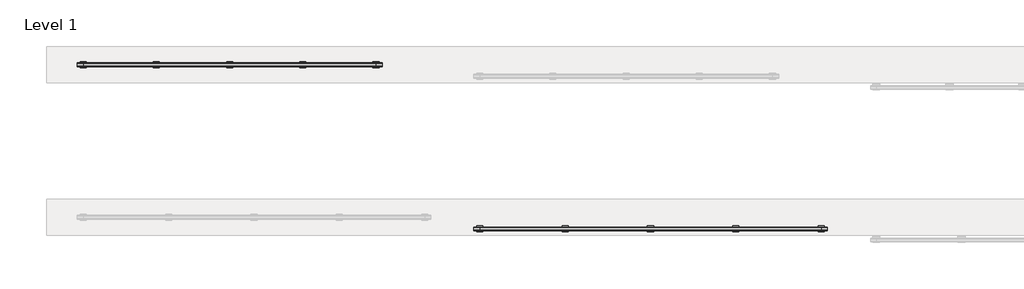
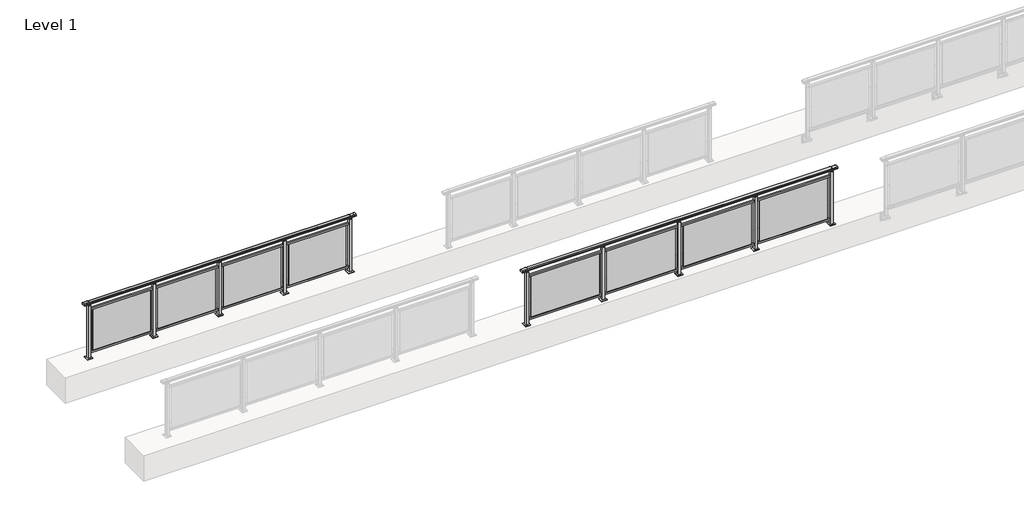
# One storey, part 37 of 64: 2 railings.
"""IFC4 building model written with IfcOpenShell, lengths in millimetres."""

from ifc_helpers import new_model, si_unit, frame, origin, origin_with_axes, place, context, project, spatial, polyline, circle_curve, outline, extrude, element, save
from ifc_brep_helpers import plane_surface, cylinder_surface, revolved_surface, advanced_brep

model = new_model("IFC4")

# Units and contexts
model_context = context("Model", 3, world=origin())
ifc_project = project(units=[si_unit("LENGTHUNIT", "METRE", prefix="MILLI")], contexts=[model_context])

# Site, building, storey
site = spatial("IfcSite", under=ifc_project)
building = spatial("IfcBuilding", under=site)
storey = spatial("IfcBuildingStorey", under=building, Name="Level 1", Elevation=0.0)

# Railings
placement = place(None, origin())
element("IfcRailing", 1, at=placement, inside=storey, context=model_context, shape_type="SolidModel", body=[
    advanced_brep(
    [(36400.0, 25.3633756, 1095.6691182), (36400.0, 30.1846828, 1081.1334092), (36400.0, 29.2413744, 1069.2539035), (36400.0, 31.1364177, 1061.4863007), (36400.0, 29.4894799, 1060.384124), (36400.0, 29.4894799, 1062.0), (36400.0, -29.1201142, 1062.0), (36400.0, -29.1201142, 1060.384124), (36400.0, -30.767052, 1061.4863007), (36400.0, -28.8720088, 1069.2539035), (36400.0, -29.8153172, 1081.1334092), (36400.0, -24.99401, 1095.6691182), (42200.0, 25.3633756, 1095.6691182), (42200.0, -24.99401, 1095.6691182), (42200.0, -29.8153172, 1081.1334092), (42200.0, -28.8720088, 1069.2539035), (42200.0, -30.767052, 1061.4863007), (42200.0, -29.1201142, 1060.384124), (42200.0, -29.1201142, 1062.0), (42200.0, 29.4894799, 1062.0), (42200.0, 29.4894799, 1060.384124), (42200.0, 31.1364177, 1061.4863007), (42200.0, 29.2413744, 1069.2539035), (42200.0, 30.1846828, 1081.1334092), (36500.0, 25.3633756, 1095.6691182), (36500.0, 30.1846828, 1081.1334092), (36500.0, 29.2413744, 1069.2539035), (36500.0, 31.1364177, 1061.4863007), (36500.0, 29.4894799, 1060.384124), (36500.0, 29.4894799, 1062.0), (36500.0, -29.1201142, 1062.0), (36500.0, -29.1201142, 1060.384124), (36500.0, -30.767052, 1061.4863007), (36500.0, -28.8720088, 1069.2539035), (36500.0, -29.8153172, 1081.1334092), (36500.0, -24.99401, 1095.6691182), (42100.0, 25.3633756, 1095.6691182), (42100.0, 30.1846828, 1081.1334092), (42100.0, 29.2413744, 1069.2539035), (42100.0, 31.1364177, 1061.4863007), (42100.0, 29.4894799, 1060.384124), (42100.0, 29.4894799, 1062.0), (42100.0, -29.1201142, 1062.0), (42100.0, -29.1201142, 1060.384124), (42100.0, -30.767052, 1061.4863007), (42100.0, -28.8720088, 1069.2539035), (42100.0, -29.8153172, 1081.1334092), (42100.0, -24.99401, 1095.6691182)],
    [
        (0, 1, circle_curve(frame((36400.0, 22.1223845, 1086.526686), z_axis=(-1.0, 0.0, 0.0), x_axis=(0.0, -1.0, 0.0)), 9.6999015)),
        (1, 2, circle_curve(frame((36400.0, 47.7252545, 1073.7633709), z_axis=(1.0, 0.0, 0.0), x_axis=(0.0, -1.0, 0.0)), 19.0260117)),
        (2, 3),
        (3, 4, circle_curve(frame((36400.0, 30.2772073, 1060.9886194), z_axis=(-1.0, 0.0, 0.0), x_axis=(0.0, -1.0, 0.0)), 0.9929396)),
        (4, 5),
        (5, 6),
        (6, 7),
        (7, 8, circle_curve(frame((36400.0, -29.9078416, 1060.9886194), z_axis=(-1.0, 0.0, 0.0), x_axis=(0.0, 1.0, 0.0)), 0.9929396)),
        (8, 9),
        (9, 10, circle_curve(frame((36400.0, -47.3558889, 1073.7633709), z_axis=(1.0, 0.0, 0.0), x_axis=(0.0, 1.0, 0.0)), 19.0260117)),
        (10, 11, circle_curve(frame((36400.0, -21.7530188, 1086.526686), z_axis=(-1.0, 0.0, 0.0), x_axis=(0.0, 1.0, 0.0)), 9.6999015)),
        (11, 0, circle_curve(frame((36400.0, 0.1846828, 1024.6431628), z_axis=(-1.0, 0.0, 0.0), x_axis=(0.0, 1.0, 0.0)), 75.3568372)),
        (12, 13, circle_curve(frame((42200.0, 0.1846828, 1024.6431628), z_axis=(1.0, 0.0, 0.0), x_axis=(0.0, 1.0, 0.0)), 75.3568372)),
        (13, 14, circle_curve(frame((42200.0, -21.7530188, 1086.526686), z_axis=(1.0, 0.0, 0.0), x_axis=(0.0, 1.0, 0.0)), 9.6999015)),
        (14, 15, circle_curve(frame((42200.0, -47.3558889, 1073.7633709), z_axis=(-1.0, 0.0, 0.0), x_axis=(0.0, 1.0, 0.0)), 19.0260117)),
        (15, 16),
        (16, 17, circle_curve(frame((42200.0, -29.9078416, 1060.9886194), z_axis=(1.0, 0.0, 0.0), x_axis=(0.0, 1.0, 0.0)), 0.9929396)),
        (17, 18),
        (18, 19),
        (19, 20),
        (20, 21, circle_curve(frame((42200.0, 30.2772073, 1060.9886194), z_axis=(1.0, 0.0, 0.0), x_axis=(0.0, -1.0, 0.0)), 0.9929396)),
        (21, 22),
        (22, 23, circle_curve(frame((42200.0, 47.7252545, 1073.7633709), z_axis=(-1.0, 0.0, 0.0), x_axis=(0.0, -1.0, 0.0)), 19.0260117)),
        (23, 12, circle_curve(frame((42200.0, 22.1223845, 1086.526686), z_axis=(1.0, 0.0, 0.0), x_axis=(0.0, -1.0, 0.0)), 9.6999015)),
        (0, 24),
        (24, 25, circle_curve(frame((36500.0, 22.1223845, 1086.526686), z_axis=(-1.0, 0.0, 0.0), x_axis=(0.0, -1.0, 0.0)), 9.6999015)),
        (25, 1),
        (25, 26, circle_curve(frame((36500.0, 47.7252545, 1073.7633709), z_axis=(1.0, 0.0, 0.0), x_axis=(0.0, -1.0, 0.0)), 19.0260117)),
        (26, 2),
        (26, 27),
        (27, 3),
        (27, 28, circle_curve(frame((36500.0, 30.2772073, 1060.9886194), z_axis=(-1.0, 0.0, 0.0), x_axis=(0.0, -1.0, 0.0)), 0.9929396)),
        (28, 4),
        (28, 29),
        (29, 5),
        (29, 30),
        (30, 6),
        (30, 31),
        (31, 7),
        (31, 32, circle_curve(frame((36500.0, -29.9078416, 1060.9886194), z_axis=(-1.0, 0.0, 0.0), x_axis=(0.0, 1.0, 0.0)), 0.9929396)),
        (32, 8),
        (32, 33),
        (33, 9),
        (33, 34, circle_curve(frame((36500.0, -47.3558889, 1073.7633709), z_axis=(1.0, 0.0, 0.0), x_axis=(0.0, 1.0, 0.0)), 19.0260117)),
        (34, 10),
        (34, 35, circle_curve(frame((36500.0, -21.7530188, 1086.526686), z_axis=(-1.0, 0.0, 0.0), x_axis=(0.0, 1.0, 0.0)), 9.6999015)),
        (35, 11),
        (35, 24, circle_curve(frame((36500.0, 0.1846828, 1024.6431628), z_axis=(-1.0, 0.0, 0.0), x_axis=(0.0, 1.0, 0.0)), 75.3568372)),
        (24, 36),
        (36, 37, circle_curve(frame((42100.0, 22.1223845, 1086.526686), z_axis=(-1.0, 0.0, 0.0), x_axis=(0.0, -1.0, 0.0)), 9.6999015)),
        (37, 25),
        (37, 38, circle_curve(frame((42100.0, 47.7252545, 1073.7633709), z_axis=(1.0, 0.0, 0.0), x_axis=(0.0, -1.0, 0.0)), 19.0260117)),
        (38, 26),
        (38, 39),
        (39, 27),
        (39, 40, circle_curve(frame((42100.0, 30.2772073, 1060.9886194), z_axis=(-1.0, 0.0, 0.0), x_axis=(0.0, -1.0, 0.0)), 0.9929396)),
        (40, 28),
        (40, 41),
        (41, 29),
        (41, 42),
        (42, 30),
        (42, 43),
        (43, 31),
        (43, 44, circle_curve(frame((42100.0, -29.9078416, 1060.9886194), z_axis=(-1.0, 0.0, 0.0), x_axis=(0.0, 1.0, 0.0)), 0.9929396)),
        (44, 32),
        (44, 45),
        (45, 33),
        (45, 46, circle_curve(frame((42100.0, -47.3558889, 1073.7633709), z_axis=(1.0, 0.0, 0.0), x_axis=(0.0, 1.0, 0.0)), 19.0260117)),
        (46, 34),
        (46, 47, circle_curve(frame((42100.0, -21.7530188, 1086.526686), z_axis=(-1.0, 0.0, 0.0), x_axis=(0.0, 1.0, 0.0)), 9.6999015)),
        (47, 35),
        (47, 36, circle_curve(frame((42100.0, 0.1846828, 1024.6431628), z_axis=(-1.0, 0.0, 0.0), x_axis=(0.0, 1.0, 0.0)), 75.3568372)),
        (36, 12),
        (23, 37),
        (22, 38),
        (21, 39),
        (20, 40),
        (19, 41),
        (18, 42),
        (17, 43),
        (16, 44),
        (15, 45),
        (14, 46),
        (13, 47),
    ],
    [
        plane_surface(frame((36400.0, 0.1846828, 1100.0), z_axis=(-1.0, 0.0, 0.0), x_axis=(0.0, 1.0, 0.0))),
        plane_surface(frame((42200.0, 0.1846828, 1100.0), z_axis=(1.0, 0.0, 0.0), x_axis=(0.0, 1.0, 0.0))),
        cylinder_surface(frame((36400.0, 22.1223845, 1086.526686), z_axis=(-1.0, 0.0, 0.0), x_axis=(0.0, -1.0, 0.0)), 9.6999015),
        revolved_surface(polyline([(36500.0, 28.699242799999997, 1073.7633709), (36400.0, 28.699242799999997, 1073.7633709)]), (36400.0, 47.7252545, 1073.7633709), (1.0, 0.0, 0.0)),
        plane_surface(frame((36400.0, 29.2413744, 1069.2539035), z_axis=(0.0, 0.9715057689301543, 0.2370159086125439), x_axis=(1.0, 0.0, 0.0))),
        cylinder_surface(frame((36400.0, 30.2772073, 1060.9886194), z_axis=(-1.0, 0.0, 0.0), x_axis=(0.0, -1.0, 0.0)), 0.9929396),
        plane_surface(frame((36400.0, 29.4894799, 1060.384124), z_axis=(0.0, -1.0, 0.0), x_axis=(1.0, 0.0, 0.0))),
        plane_surface(frame((36400.0, 29.4894799, 1062.0), z_axis=(0.0, 0.0, -1.0), x_axis=(1.0, 0.0, 0.0))),
        plane_surface(frame((36400.0, -29.1201142, 1062.0), z_axis=(0.0, 1.0, 0.0), x_axis=(1.0, 0.0, 0.0))),
        cylinder_surface(frame((36400.0, -29.9078416, 1060.9886194), z_axis=(-1.0, 0.0, 0.0), x_axis=(0.0, 1.0, 0.0)), 0.9929396),
        plane_surface(frame((36400.0, -30.767052, 1061.4863007), z_axis=(0.0, -0.9715057689301543, 0.2370159086125439), x_axis=(1.0, 0.0, 0.0))),
        revolved_surface(polyline([(36500.0, -28.329877199999995, 1073.7633709), (36400.0, -28.329877199999995, 1073.7633709)]), (36400.0, -47.3558889, 1073.7633709), (1.0, 0.0, 0.0)),
        cylinder_surface(frame((36400.0, -21.7530188, 1086.526686), z_axis=(-1.0, 0.0, 0.0), x_axis=(0.0, 1.0, 0.0)), 9.6999015),
        cylinder_surface(frame((36400.0, 0.1846828, 1024.6431628), z_axis=(-1.0, 0.0, 0.0), x_axis=(0.0, 1.0, 0.0)), 75.3568372),
        cylinder_surface(frame((36500.0, 22.1223845, 1086.526686), z_axis=(-1.0, 0.0, 0.0), x_axis=(0.0, -1.0, 0.0)), 9.6999015),
        revolved_surface(polyline([(42100.0, 28.699242799999997, 1073.7633709), (36500.0, 28.699242799999997, 1073.7633709)]), (36500.0, 47.7252545, 1073.7633709), (1.0, 0.0, 0.0)),
        plane_surface(frame((36500.0, 29.2413744, 1069.2539035), z_axis=(0.0, 0.9715057689301543, 0.2370159086125439), x_axis=(1.0, 0.0, 0.0))),
        cylinder_surface(frame((36500.0, 30.2772073, 1060.9886194), z_axis=(-1.0, 0.0, 0.0), x_axis=(0.0, -1.0, 0.0)), 0.9929396),
        plane_surface(frame((36500.0, 29.4894799, 1060.384124), z_axis=(0.0, -1.0, 0.0), x_axis=(1.0, 0.0, 0.0))),
        plane_surface(frame((36500.0, 29.4894799, 1062.0), z_axis=(0.0, 0.0, -1.0), x_axis=(1.0, 0.0, 0.0))),
        plane_surface(frame((36500.0, -29.1201142, 1062.0), z_axis=(0.0, 1.0, 0.0), x_axis=(1.0, 0.0, 0.0))),
        cylinder_surface(frame((36500.0, -29.9078416, 1060.9886194), z_axis=(-1.0, 0.0, 0.0), x_axis=(0.0, 1.0, 0.0)), 0.9929396),
        plane_surface(frame((36500.0, -30.767052, 1061.4863007), z_axis=(0.0, -0.9715057689301543, 0.2370159086125439), x_axis=(1.0, 0.0, 0.0))),
        revolved_surface(polyline([(42100.0, -28.329877199999995, 1073.7633709), (36500.0, -28.329877199999995, 1073.7633709)]), (36500.0, -47.3558889, 1073.7633709), (1.0, 0.0, 0.0)),
        cylinder_surface(frame((36500.0, -21.7530188, 1086.526686), z_axis=(-1.0, 0.0, 0.0), x_axis=(0.0, 1.0, 0.0)), 9.6999015),
        cylinder_surface(frame((36500.0, 0.1846828, 1024.6431628), z_axis=(-1.0, 0.0, 0.0), x_axis=(0.0, 1.0, 0.0)), 75.3568372),
        cylinder_surface(frame((42100.0, 22.1223845, 1086.526686), z_axis=(-1.0, 0.0, 0.0), x_axis=(0.0, -1.0, 0.0)), 9.6999015),
        revolved_surface(polyline([(42200.0, 28.699242799999997, 1073.7633709), (42100.0, 28.699242799999997, 1073.7633709)]), (42100.0, 47.7252545, 1073.7633709), (1.0, 0.0, 0.0)),
        plane_surface(frame((42100.0, 29.2413744, 1069.2539035), z_axis=(0.0, 0.9715057689301543, 0.2370159086125439), x_axis=(1.0, 0.0, 0.0))),
        cylinder_surface(frame((42100.0, 30.2772073, 1060.9886194), z_axis=(-1.0, 0.0, 0.0), x_axis=(0.0, -1.0, 0.0)), 0.9929396),
        plane_surface(frame((42100.0, 29.4894799, 1060.384124), z_axis=(0.0, -1.0, 0.0), x_axis=(1.0, 0.0, 0.0))),
        plane_surface(frame((42100.0, 29.4894799, 1062.0), z_axis=(0.0, 0.0, -1.0), x_axis=(1.0, 0.0, 0.0))),
        plane_surface(frame((42100.0, -29.1201142, 1062.0), z_axis=(0.0, 1.0, 0.0), x_axis=(1.0, 0.0, 0.0))),
        cylinder_surface(frame((42100.0, -29.9078416, 1060.9886194), z_axis=(-1.0, 0.0, 0.0), x_axis=(0.0, 1.0, 0.0)), 0.9929396),
        plane_surface(frame((42100.0, -30.767052, 1061.4863007), z_axis=(0.0, -0.9715057689301543, 0.2370159086125439), x_axis=(1.0, 0.0, 0.0))),
        revolved_surface(polyline([(42200.0, -28.329877199999995, 1073.7633709), (42100.0, -28.329877199999995, 1073.7633709)]), (42100.0, -47.3558889, 1073.7633709), (1.0, 0.0, 0.0)),
        cylinder_surface(frame((42100.0, -21.7530188, 1086.526686), z_axis=(-1.0, 0.0, 0.0), x_axis=(0.0, 1.0, 0.0)), 9.6999015),
        cylinder_surface(frame((42100.0, 0.1846828, 1024.6431628), z_axis=(-1.0, 0.0, 0.0), x_axis=(0.0, 1.0, 0.0)), 75.3568372),
    ],
    [
        (0, [[1, 2, 3, 4, 5, 6, 7, 8, 9, 10, 11, 12]]),
        (1, [[13, 14, 15, 16, 17, 18, 19, 20, 21, 22, 23, 24]]),
        (2, [[-1, 25, 26, 27]]),
        (3, [[-2, -27, 28, 29]]),
        (4, [[-3, -29, 30, 31]]),
        (5, [[-4, -31, 32, 33]]),
        (6, [[-5, -33, 34, 35]]),
        (7, [[-6, -35, 36, 37]]),
        (8, [[-7, -37, 38, 39]]),
        (9, [[-8, -39, 40, 41]]),
        (10, [[-9, -41, 42, 43]]),
        (11, [[-10, -43, 44, 45]]),
        (12, [[-11, -45, 46, 47]]),
        (13, [[-12, -47, 48, -25]]),
        (14, [[-26, 49, 50, 51]]),
        (15, [[-28, -51, 52, 53]]),
        (16, [[-30, -53, 54, 55]]),
        (17, [[-32, -55, 56, 57]]),
        (18, [[-34, -57, 58, 59]]),
        (19, [[-36, -59, 60, 61]]),
        (20, [[-38, -61, 62, 63]]),
        (21, [[-40, -63, 64, 65]]),
        (22, [[-42, -65, 66, 67]]),
        (23, [[-44, -67, 68, 69]]),
        (24, [[-46, -69, 70, 71]]),
        (25, [[-48, -71, 72, -49]]),
        (26, [[-50, 73, -24, 74]]),
        (27, [[-52, -74, -23, 75]]),
        (28, [[-54, -75, -22, 76]]),
        (29, [[-56, -76, -21, 77]]),
        (30, [[-58, -77, -20, 78]]),
        (31, [[-60, -78, -19, 79]]),
        (32, [[-62, -79, -18, 80]]),
        (33, [[-64, -80, -17, 81]]),
        (34, [[-66, -81, -16, 82]]),
        (35, [[-68, -82, -15, 83]]),
        (36, [[-70, -83, -14, 84]]),
        (37, [[-72, -84, -13, -73]]),
    ],
),
    extrude(outline(polyline([(36500.0, -17.3153172), (36500.0, 17.6846828), (42100.0, 17.6846828), (42100.0, -17.3153172), (36500.0, -17.3153172)])), frame((0.0, 0.0, 930.0), z_axis=(0.0, 0.0, 1.0), x_axis=(1.0, 0.0, 0.0)), (0.0, 0.0, 1.0), 30.0),
    extrude(outline(polyline([(36500.0, -17.3153172), (36500.0, 17.6846828), (42100.0, 17.6846828), (42100.0, -17.3153172), (36500.0, -17.3153172)])), frame((0.0, 0.0, 95.0), z_axis=(0.0, 0.0, 1.0), x_axis=(1.0, 0.0, 0.0)), (0.0, 0.0, 1.0), 30.0),
    extrude(outline(polyline([(40772.5, 1.9598727), (42027.5, 1.9598727), (42027.5, -4.0401273), (40772.5, -4.0401273), (40772.5, 1.9598727)])), frame((0.0, 0.0, 125.0), z_axis=(0.0, 0.0, 1.0), x_axis=(1.0, 0.0, 0.0)), (0.0, 0.0, 1.0), 805.0),
    extrude(outline(polyline([(40710.0, -9.8153172), (40690.0, -9.8153172), (40690.0, 10.1846828), (40710.0, 10.1846828), (40710.0, -9.8153172)])), frame((0.0, 0.0, 1035.0), z_axis=(0.0, 0.0, 1.0), x_axis=(1.0, 0.0, 0.0)), (0.0, 0.0, 1.0), 20.0),
    extrude(outline(polyline([(40722.5, -22.3153172), (40677.5, -22.3153172), (40677.5, 22.6846828), (40722.5, 22.6846828), (40722.5, -22.3153172)])), frame((0.0, 0.0, 1027.0), z_axis=(0.0, 0.0, 1.0), x_axis=(1.0, 0.0, 0.0)), (0.0, 0.0, 1.0), 8.0),
    extrude(outline(polyline([(40750.0, -49.8153172), (40650.0, -49.8153172), (40650.0, 50.1846828), (40750.0, 50.1846828), (40750.0, -49.8153172)])), origin_with_axes(), (0.0, 0.0, 1.0), 12.0),
    extrude(outline(polyline([(40722.5, -22.3153172), (40677.5, -22.3153172), (40677.5, 22.6846828), (40722.5, 22.6846828), (40722.5, -22.3153172)])), frame((0.0, 0.0, 12.0), z_axis=(0.0, 0.0, 1.0), x_axis=(1.0, 0.0, 0.0)), (0.0, 0.0, 1.0), 1015.0),
    extrude(outline(polyline([(39372.5, 1.9598727), (40627.5, 1.9598727), (40627.5, -4.0401273), (39372.5, -4.0401273), (39372.5, 1.9598727)])), frame((0.0, 0.0, 125.0), z_axis=(0.0, 0.0, 1.0), x_axis=(1.0, 0.0, 0.0)), (0.0, 0.0, 1.0), 805.0),
    extrude(outline(polyline([(39310.0, -9.8153172), (39290.0, -9.8153172), (39290.0, 10.1846828), (39310.0, 10.1846828), (39310.0, -9.8153172)])), frame((0.0, 0.0, 1035.0), z_axis=(0.0, 0.0, 1.0), x_axis=(1.0, 0.0, 0.0)), (0.0, 0.0, 1.0), 20.0),
    extrude(outline(polyline([(39322.5, -22.3153172), (39277.5, -22.3153172), (39277.5, 22.6846828), (39322.5, 22.6846828), (39322.5, -22.3153172)])), frame((0.0, 0.0, 1027.0), z_axis=(0.0, 0.0, 1.0), x_axis=(1.0, 0.0, 0.0)), (0.0, 0.0, 1.0), 8.0),
    extrude(outline(polyline([(39350.0, -49.8153172), (39250.0, -49.8153172), (39250.0, 50.1846828), (39350.0, 50.1846828), (39350.0, -49.8153172)])), origin_with_axes(), (0.0, 0.0, 1.0), 12.0),
    extrude(outline(polyline([(39322.5, -22.3153172), (39277.5, -22.3153172), (39277.5, 22.6846828), (39322.5, 22.6846828), (39322.5, -22.3153172)])), frame((0.0, 0.0, 12.0), z_axis=(0.0, 0.0, 1.0), x_axis=(1.0, 0.0, 0.0)), (0.0, 0.0, 1.0), 1015.0),
    extrude(outline(polyline([(37972.5, 1.9598727), (39227.5, 1.9598727), (39227.5, -4.0401273), (37972.5, -4.0401273), (37972.5, 1.9598727)])), frame((0.0, 0.0, 125.0), z_axis=(0.0, 0.0, 1.0), x_axis=(1.0, 0.0, 0.0)), (0.0, 0.0, 1.0), 805.0),
    extrude(outline(polyline([(37910.0, -9.8153172), (37890.0, -9.8153172), (37890.0, 10.1846828), (37910.0, 10.1846828), (37910.0, -9.8153172)])), frame((0.0, 0.0, 1035.0), z_axis=(0.0, 0.0, 1.0), x_axis=(1.0, 0.0, 0.0)), (0.0, 0.0, 1.0), 20.0),
    extrude(outline(polyline([(37922.5, -22.3153172), (37877.5, -22.3153172), (37877.5, 22.6846828), (37922.5, 22.6846828), (37922.5, -22.3153172)])), frame((0.0, 0.0, 1027.0), z_axis=(0.0, 0.0, 1.0), x_axis=(1.0, 0.0, 0.0)), (0.0, 0.0, 1.0), 8.0),
    extrude(outline(polyline([(37950.0, -49.8153172), (37850.0, -49.8153172), (37850.0, 50.1846828), (37950.0, 50.1846828), (37950.0, -49.8153172)])), origin_with_axes(), (0.0, 0.0, 1.0), 12.0),
    extrude(outline(polyline([(37922.5, -22.3153172), (37877.5, -22.3153172), (37877.5, 22.6846828), (37922.5, 22.6846828), (37922.5, -22.3153172)])), frame((0.0, 0.0, 12.0), z_axis=(0.0, 0.0, 1.0), x_axis=(1.0, 0.0, 0.0)), (0.0, 0.0, 1.0), 1015.0),
    extrude(outline(polyline([(36572.5, 1.9598727), (37827.5, 1.9598727), (37827.5, -4.0401273), (36572.5, -4.0401273), (36572.5, 1.9598727)])), frame((0.0, 0.0, 125.0), z_axis=(0.0, 0.0, 1.0), x_axis=(1.0, 0.0, 0.0)), (0.0, 0.0, 1.0), 805.0),
    extrude(outline(polyline([(42110.0, -9.8153172), (42090.0, -9.8153172), (42090.0, 10.1846828), (42110.0, 10.1846828), (42110.0, -9.8153172)])), frame((0.0, 0.0, 1035.0), z_axis=(0.0, 0.0, 1.0), x_axis=(1.0, 0.0, 0.0)), (0.0, 0.0, 1.0), 20.0),
    extrude(outline(polyline([(42122.5, -22.3153172), (42077.5, -22.3153172), (42077.5, 22.6846828), (42122.5, 22.6846828), (42122.5, -22.3153172)])), frame((0.0, 0.0, 1027.0), z_axis=(0.0, 0.0, 1.0), x_axis=(1.0, 0.0, 0.0)), (0.0, 0.0, 1.0), 8.0),
    extrude(outline(polyline([(42150.0, -49.8153172), (42050.0, -49.8153172), (42050.0, 50.1846828), (42150.0, 50.1846828), (42150.0, -49.8153172)])), origin_with_axes(), (0.0, 0.0, 1.0), 12.0),
    extrude(outline(polyline([(42122.5, -22.3153172), (42077.5, -22.3153172), (42077.5, 22.6846828), (42122.5, 22.6846828), (42122.5, -22.3153172)])), frame((0.0, 0.0, 12.0), z_axis=(0.0, 0.0, 1.0), x_axis=(1.0, 0.0, 0.0)), (0.0, 0.0, 1.0), 1015.0),
    extrude(outline(polyline([(36510.0, -9.8153172), (36490.0, -9.8153172), (36490.0, 10.1846828), (36510.0, 10.1846828), (36510.0, -9.8153172)])), frame((0.0, 0.0, 1035.0), z_axis=(0.0, 0.0, 1.0), x_axis=(1.0, 0.0, 0.0)), (0.0, 0.0, 1.0), 20.0),
    extrude(outline(polyline([(36522.5, -22.3153172), (36477.5, -22.3153172), (36477.5, 22.6846828), (36522.5, 22.6846828), (36522.5, -22.3153172)])), frame((0.0, 0.0, 1027.0), z_axis=(0.0, 0.0, 1.0), x_axis=(1.0, 0.0, 0.0)), (0.0, 0.0, 1.0), 8.0),
    extrude(outline(polyline([(36550.0, -49.8153172), (36450.0, -49.8153172), (36450.0, 50.1846828), (36550.0, 50.1846828), (36550.0, -49.8153172)])), origin_with_axes(), (0.0, 0.0, 1.0), 12.0),
    extrude(outline(polyline([(36522.5, -22.3153172), (36477.5, -22.3153172), (36477.5, 22.6846828), (36522.5, 22.6846828), (36522.5, -22.3153172)])), frame((0.0, 0.0, 12.0), z_axis=(0.0, 0.0, 1.0), x_axis=(1.0, 0.0, 0.0)), (0.0, 0.0, 1.0), 1015.0),
])
element("IfcRailing", 2, at=placement, inside=storey, context=model_context, shape_type="SolidModel", body=[
    advanced_brep(
    [(29900.0, 2715.3633756, 1095.6691182), (29900.0, 2720.1846828, 1081.1334092), (29900.0, 2719.2413744, 1069.2539035), (29900.0, 2721.1364177, 1061.4863007), (29900.0, 2719.4894799, 1060.384124), (29900.0, 2719.4894799, 1062.0), (29900.0, 2660.8798858, 1062.0), (29900.0, 2660.8798858, 1060.384124), (29900.0, 2659.232948, 1061.4863007), (29900.0, 2661.1279912, 1069.2539035), (29900.0, 2660.1846828, 1081.1334092), (29900.0, 2665.00599, 1095.6691182), (34900.0, 2715.3633756, 1095.6691182), (34900.0, 2665.00599, 1095.6691182), (34900.0, 2660.1846828, 1081.1334092), (34900.0, 2661.1279912, 1069.2539035), (34900.0, 2659.232948, 1061.4863007), (34900.0, 2660.8798858, 1060.384124), (34900.0, 2660.8798858, 1062.0), (34900.0, 2719.4894799, 1062.0), (34900.0, 2719.4894799, 1060.384124), (34900.0, 2721.1364177, 1061.4863007), (34900.0, 2719.2413744, 1069.2539035), (34900.0, 2720.1846828, 1081.1334092), (30000.0, 2715.3633756, 1095.6691182), (30000.0, 2720.1846828, 1081.1334092), (30000.0, 2719.2413744, 1069.2539035), (30000.0, 2721.1364177, 1061.4863007), (30000.0, 2719.4894799, 1060.384124), (30000.0, 2719.4894799, 1062.0), (30000.0, 2660.8798858, 1062.0), (30000.0, 2660.8798858, 1060.384124), (30000.0, 2659.232948, 1061.4863007), (30000.0, 2661.1279912, 1069.2539035), (30000.0, 2660.1846828, 1081.1334092), (30000.0, 2665.00599, 1095.6691182), (34800.0, 2715.3633756, 1095.6691182), (34800.0, 2720.1846828, 1081.1334092), (34800.0, 2719.2413744, 1069.2539035), (34800.0, 2721.1364177, 1061.4863007), (34800.0, 2719.4894799, 1060.384124), (34800.0, 2719.4894799, 1062.0), (34800.0, 2660.8798858, 1062.0), (34800.0, 2660.8798858, 1060.384124), (34800.0, 2659.232948, 1061.4863007), (34800.0, 2661.1279912, 1069.2539035), (34800.0, 2660.1846828, 1081.1334092), (34800.0, 2665.00599, 1095.6691182)],
    [
        (0, 1, circle_curve(frame((29900.0, 2712.1223845, 1086.526686), z_axis=(-1.0, 0.0, 0.0), x_axis=(0.0, -1.0, 0.0)), 9.6999015)),
        (1, 2, circle_curve(frame((29900.0, 2737.7252545, 1073.7633709), z_axis=(1.0, 0.0, 0.0), x_axis=(0.0, -1.0, 0.0)), 19.0260117)),
        (2, 3),
        (3, 4, circle_curve(frame((29900.0, 2720.2772073, 1060.9886194), z_axis=(-1.0, 0.0, 0.0), x_axis=(0.0, -1.0, 0.0)), 0.9929396)),
        (4, 5),
        (5, 6),
        (6, 7),
        (7, 8, circle_curve(frame((29900.0, 2660.0921584, 1060.9886194), z_axis=(-1.0, 0.0, 0.0), x_axis=(0.0, 1.0, 0.0)), 0.9929396)),
        (8, 9),
        (9, 10, circle_curve(frame((29900.0, 2642.6441111, 1073.7633709), z_axis=(1.0, 0.0, 0.0), x_axis=(0.0, 1.0, 0.0)), 19.0260117)),
        (10, 11, circle_curve(frame((29900.0, 2668.2469812, 1086.526686), z_axis=(-1.0, 0.0, 0.0), x_axis=(0.0, 1.0, 0.0)), 9.6999015)),
        (11, 0, circle_curve(frame((29900.0, 2690.1846828, 1024.6431628), z_axis=(-1.0, 0.0, 0.0), x_axis=(0.0, 1.0, 0.0)), 75.3568372)),
        (12, 13, circle_curve(frame((34900.0, 2690.1846828, 1024.6431628), z_axis=(1.0, 0.0, 0.0), x_axis=(0.0, 1.0, 0.0)), 75.3568372)),
        (13, 14, circle_curve(frame((34900.0, 2668.2469812, 1086.526686), z_axis=(1.0, 0.0, 0.0), x_axis=(0.0, 1.0, 0.0)), 9.6999015)),
        (14, 15, circle_curve(frame((34900.0, 2642.6441111, 1073.7633709), z_axis=(-1.0, 0.0, 0.0), x_axis=(0.0, 1.0, 0.0)), 19.0260117)),
        (15, 16),
        (16, 17, circle_curve(frame((34900.0, 2660.0921584, 1060.9886194), z_axis=(1.0, 0.0, 0.0), x_axis=(0.0, 1.0, 0.0)), 0.9929396)),
        (17, 18),
        (18, 19),
        (19, 20),
        (20, 21, circle_curve(frame((34900.0, 2720.2772073, 1060.9886194), z_axis=(1.0, 0.0, 0.0), x_axis=(0.0, -1.0, 0.0)), 0.9929396)),
        (21, 22),
        (22, 23, circle_curve(frame((34900.0, 2737.7252545, 1073.7633709), z_axis=(-1.0, 0.0, 0.0), x_axis=(0.0, -1.0, 0.0)), 19.0260117)),
        (23, 12, circle_curve(frame((34900.0, 2712.1223845, 1086.526686), z_axis=(1.0, 0.0, 0.0), x_axis=(0.0, -1.0, 0.0)), 9.6999015)),
        (0, 24),
        (24, 25, circle_curve(frame((30000.0, 2712.1223845, 1086.526686), z_axis=(-1.0, 0.0, 0.0), x_axis=(0.0, -1.0, 0.0)), 9.6999015)),
        (25, 1),
        (25, 26, circle_curve(frame((30000.0, 2737.7252545, 1073.7633709), z_axis=(1.0, 0.0, 0.0), x_axis=(0.0, -1.0, 0.0)), 19.0260117)),
        (26, 2),
        (26, 27),
        (27, 3),
        (27, 28, circle_curve(frame((30000.0, 2720.2772073, 1060.9886194), z_axis=(-1.0, 0.0, 0.0), x_axis=(0.0, -1.0, 0.0)), 0.9929396)),
        (28, 4),
        (28, 29),
        (29, 5),
        (29, 30),
        (30, 6),
        (30, 31),
        (31, 7),
        (31, 32, circle_curve(frame((30000.0, 2660.0921584, 1060.9886194), z_axis=(-1.0, 0.0, 0.0), x_axis=(0.0, 1.0, 0.0)), 0.9929396)),
        (32, 8),
        (32, 33),
        (33, 9),
        (33, 34, circle_curve(frame((30000.0, 2642.6441111, 1073.7633709), z_axis=(1.0, 0.0, 0.0), x_axis=(0.0, 1.0, 0.0)), 19.0260117)),
        (34, 10),
        (34, 35, circle_curve(frame((30000.0, 2668.2469812, 1086.526686), z_axis=(-1.0, 0.0, 0.0), x_axis=(0.0, 1.0, 0.0)), 9.6999015)),
        (35, 11),
        (35, 24, circle_curve(frame((30000.0, 2690.1846828, 1024.6431628), z_axis=(-1.0, 0.0, 0.0), x_axis=(0.0, 1.0, 0.0)), 75.3568372)),
        (24, 36),
        (36, 37, circle_curve(frame((34800.0, 2712.1223845, 1086.526686), z_axis=(-1.0, 0.0, 0.0), x_axis=(0.0, -1.0, 0.0)), 9.6999015)),
        (37, 25),
        (37, 38, circle_curve(frame((34800.0, 2737.7252545, 1073.7633709), z_axis=(1.0, 0.0, 0.0), x_axis=(0.0, -1.0, 0.0)), 19.0260117)),
        (38, 26),
        (38, 39),
        (39, 27),
        (39, 40, circle_curve(frame((34800.0, 2720.2772073, 1060.9886194), z_axis=(-1.0, 0.0, 0.0), x_axis=(0.0, -1.0, 0.0)), 0.9929396)),
        (40, 28),
        (40, 41),
        (41, 29),
        (41, 42),
        (42, 30),
        (42, 43),
        (43, 31),
        (43, 44, circle_curve(frame((34800.0, 2660.0921584, 1060.9886194), z_axis=(-1.0, 0.0, 0.0), x_axis=(0.0, 1.0, 0.0)), 0.9929396)),
        (44, 32),
        (44, 45),
        (45, 33),
        (45, 46, circle_curve(frame((34800.0, 2642.6441111, 1073.7633709), z_axis=(1.0, 0.0, 0.0), x_axis=(0.0, 1.0, 0.0)), 19.0260117)),
        (46, 34),
        (46, 47, circle_curve(frame((34800.0, 2668.2469812, 1086.526686), z_axis=(-1.0, 0.0, 0.0), x_axis=(0.0, 1.0, 0.0)), 9.6999015)),
        (47, 35),
        (47, 36, circle_curve(frame((34800.0, 2690.1846828, 1024.6431628), z_axis=(-1.0, 0.0, 0.0), x_axis=(0.0, 1.0, 0.0)), 75.3568372)),
        (36, 12),
        (23, 37),
        (22, 38),
        (21, 39),
        (20, 40),
        (19, 41),
        (18, 42),
        (17, 43),
        (16, 44),
        (15, 45),
        (14, 46),
        (13, 47),
    ],
    [
        plane_surface(frame((29900.0, 2690.1846828, 1100.0), z_axis=(-1.0, 0.0, 0.0), x_axis=(0.0, 1.0, 0.0))),
        plane_surface(frame((34900.0, 2690.1846828, 1100.0), z_axis=(1.0, 0.0, 0.0), x_axis=(0.0, 1.0, 0.0))),
        cylinder_surface(frame((29900.0, 2712.1223845, 1086.526686), z_axis=(-1.0, 0.0, 0.0), x_axis=(0.0, -1.0, 0.0)), 9.6999015),
        revolved_surface(polyline([(30000.0, 2718.6992428000003, 1073.7633709), (29900.0, 2718.6992428000003, 1073.7633709)]), (29900.0, 2737.7252545, 1073.7633709), (1.0, 0.0, 0.0)),
        plane_surface(frame((29900.0, 2719.2413744, 1069.2539035), z_axis=(0.0, 0.9715057689301543, 0.2370159086125439), x_axis=(1.0, 0.0, 0.0))),
        cylinder_surface(frame((29900.0, 2720.2772073, 1060.9886194), z_axis=(-1.0, 0.0, 0.0), x_axis=(0.0, -1.0, 0.0)), 0.9929396),
        plane_surface(frame((29900.0, 2719.4894799, 1060.384124), z_axis=(0.0, -1.0, 0.0), x_axis=(1.0, 0.0, 0.0))),
        plane_surface(frame((29900.0, 2719.4894799, 1062.0), z_axis=(0.0, 0.0, -1.0), x_axis=(1.0, 0.0, 0.0))),
        plane_surface(frame((29900.0, 2660.8798858, 1062.0), z_axis=(0.0, 1.0, 0.0), x_axis=(1.0, 0.0, 0.0))),
        cylinder_surface(frame((29900.0, 2660.0921584, 1060.9886194), z_axis=(-1.0, 0.0, 0.0), x_axis=(0.0, 1.0, 0.0)), 0.9929396),
        plane_surface(frame((29900.0, 2659.232948, 1061.4863007), z_axis=(0.0, -0.9715057689301543, 0.2370159086125439), x_axis=(1.0, 0.0, 0.0))),
        revolved_surface(polyline([(30000.0, 2661.6701227999997, 1073.7633709), (29900.0, 2661.6701227999997, 1073.7633709)]), (29900.0, 2642.6441111, 1073.7633709), (1.0, 0.0, 0.0)),
        cylinder_surface(frame((29900.0, 2668.2469812, 1086.526686), z_axis=(-1.0, 0.0, 0.0), x_axis=(0.0, 1.0, 0.0)), 9.6999015),
        cylinder_surface(frame((29900.0, 2690.1846828, 1024.6431628), z_axis=(-1.0, 0.0, 0.0), x_axis=(0.0, 1.0, 0.0)), 75.3568372),
        cylinder_surface(frame((30000.0, 2712.1223845, 1086.526686), z_axis=(-1.0, 0.0, 0.0), x_axis=(0.0, -1.0, 0.0)), 9.6999015),
        revolved_surface(polyline([(34800.0, 2718.6992428000003, 1073.7633709), (30000.0, 2718.6992428000003, 1073.7633709)]), (30000.0, 2737.7252545, 1073.7633709), (1.0, 0.0, 0.0)),
        plane_surface(frame((30000.0, 2719.2413744, 1069.2539035), z_axis=(0.0, 0.9715057689301543, 0.2370159086125439), x_axis=(1.0, 0.0, 0.0))),
        cylinder_surface(frame((30000.0, 2720.2772073, 1060.9886194), z_axis=(-1.0, 0.0, 0.0), x_axis=(0.0, -1.0, 0.0)), 0.9929396),
        plane_surface(frame((30000.0, 2719.4894799, 1060.384124), z_axis=(0.0, -1.0, 0.0), x_axis=(1.0, 0.0, 0.0))),
        plane_surface(frame((30000.0, 2719.4894799, 1062.0), z_axis=(0.0, 0.0, -1.0), x_axis=(1.0, 0.0, 0.0))),
        plane_surface(frame((30000.0, 2660.8798858, 1062.0), z_axis=(0.0, 1.0, 0.0), x_axis=(1.0, 0.0, 0.0))),
        cylinder_surface(frame((30000.0, 2660.0921584, 1060.9886194), z_axis=(-1.0, 0.0, 0.0), x_axis=(0.0, 1.0, 0.0)), 0.9929396),
        plane_surface(frame((30000.0, 2659.232948, 1061.4863007), z_axis=(0.0, -0.9715057689301543, 0.2370159086125439), x_axis=(1.0, 0.0, 0.0))),
        revolved_surface(polyline([(34800.0, 2661.6701227999997, 1073.7633709), (30000.0, 2661.6701227999997, 1073.7633709)]), (30000.0, 2642.6441111, 1073.7633709), (1.0, 0.0, 0.0)),
        cylinder_surface(frame((30000.0, 2668.2469812, 1086.526686), z_axis=(-1.0, 0.0, 0.0), x_axis=(0.0, 1.0, 0.0)), 9.6999015),
        cylinder_surface(frame((30000.0, 2690.1846828, 1024.6431628), z_axis=(-1.0, 0.0, 0.0), x_axis=(0.0, 1.0, 0.0)), 75.3568372),
        cylinder_surface(frame((34800.0, 2712.1223845, 1086.526686), z_axis=(-1.0, 0.0, 0.0), x_axis=(0.0, -1.0, 0.0)), 9.6999015),
        revolved_surface(polyline([(34900.0, 2718.6992428000003, 1073.7633709), (34800.0, 2718.6992428000003, 1073.7633709)]), (34800.0, 2737.7252545, 1073.7633709), (1.0, 0.0, 0.0)),
        plane_surface(frame((34800.0, 2719.2413744, 1069.2539035), z_axis=(0.0, 0.9715057689301543, 0.2370159086125439), x_axis=(1.0, 0.0, 0.0))),
        cylinder_surface(frame((34800.0, 2720.2772073, 1060.9886194), z_axis=(-1.0, 0.0, 0.0), x_axis=(0.0, -1.0, 0.0)), 0.9929396),
        plane_surface(frame((34800.0, 2719.4894799, 1060.384124), z_axis=(0.0, -1.0, 0.0), x_axis=(1.0, 0.0, 0.0))),
        plane_surface(frame((34800.0, 2719.4894799, 1062.0), z_axis=(0.0, 0.0, -1.0), x_axis=(1.0, 0.0, 0.0))),
        plane_surface(frame((34800.0, 2660.8798858, 1062.0), z_axis=(0.0, 1.0, 0.0), x_axis=(1.0, 0.0, 0.0))),
        cylinder_surface(frame((34800.0, 2660.0921584, 1060.9886194), z_axis=(-1.0, 0.0, 0.0), x_axis=(0.0, 1.0, 0.0)), 0.9929396),
        plane_surface(frame((34800.0, 2659.232948, 1061.4863007), z_axis=(0.0, -0.9715057689301543, 0.2370159086125439), x_axis=(1.0, 0.0, 0.0))),
        revolved_surface(polyline([(34900.0, 2661.6701227999997, 1073.7633709), (34800.0, 2661.6701227999997, 1073.7633709)]), (34800.0, 2642.6441111, 1073.7633709), (1.0, 0.0, 0.0)),
        cylinder_surface(frame((34800.0, 2668.2469812, 1086.526686), z_axis=(-1.0, 0.0, 0.0), x_axis=(0.0, 1.0, 0.0)), 9.6999015),
        cylinder_surface(frame((34800.0, 2690.1846828, 1024.6431628), z_axis=(-1.0, 0.0, 0.0), x_axis=(0.0, 1.0, 0.0)), 75.3568372),
    ],
    [
        (0, [[1, 2, 3, 4, 5, 6, 7, 8, 9, 10, 11, 12]]),
        (1, [[13, 14, 15, 16, 17, 18, 19, 20, 21, 22, 23, 24]]),
        (2, [[-1, 25, 26, 27]]),
        (3, [[-2, -27, 28, 29]]),
        (4, [[-3, -29, 30, 31]]),
        (5, [[-4, -31, 32, 33]]),
        (6, [[-5, -33, 34, 35]]),
        (7, [[-6, -35, 36, 37]]),
        (8, [[-7, -37, 38, 39]]),
        (9, [[-8, -39, 40, 41]]),
        (10, [[-9, -41, 42, 43]]),
        (11, [[-10, -43, 44, 45]]),
        (12, [[-11, -45, 46, 47]]),
        (13, [[-12, -47, 48, -25]]),
        (14, [[-26, 49, 50, 51]]),
        (15, [[-28, -51, 52, 53]]),
        (16, [[-30, -53, 54, 55]]),
        (17, [[-32, -55, 56, 57]]),
        (18, [[-34, -57, 58, 59]]),
        (19, [[-36, -59, 60, 61]]),
        (20, [[-38, -61, 62, 63]]),
        (21, [[-40, -63, 64, 65]]),
        (22, [[-42, -65, 66, 67]]),
        (23, [[-44, -67, 68, 69]]),
        (24, [[-46, -69, 70, 71]]),
        (25, [[-48, -71, 72, -49]]),
        (26, [[-50, 73, -24, 74]]),
        (27, [[-52, -74, -23, 75]]),
        (28, [[-54, -75, -22, 76]]),
        (29, [[-56, -76, -21, 77]]),
        (30, [[-58, -77, -20, 78]]),
        (31, [[-60, -78, -19, 79]]),
        (32, [[-62, -79, -18, 80]]),
        (33, [[-64, -80, -17, 81]]),
        (34, [[-66, -81, -16, 82]]),
        (35, [[-68, -82, -15, 83]]),
        (36, [[-70, -83, -14, 84]]),
        (37, [[-72, -84, -13, -73]]),
    ],
),
    extrude(outline(polyline([(30000.0, 2672.6846828), (30000.0, 2707.6846828), (34800.0, 2707.6846828), (34800.0, 2672.6846828), (30000.0, 2672.6846828)])), frame((0.0, 0.0, 95.0), z_axis=(0.0, 0.0, 1.0), x_axis=(1.0, 0.0, 0.0)), (0.0, 0.0, 1.0), 30.0),
    extrude(outline(polyline([(30000.0, 2672.6846828), (30000.0, 2707.6846828), (34800.0, 2707.6846828), (34800.0, 2672.6846828), (30000.0, 2672.6846828)])), frame((0.0, 0.0, 930.0), z_axis=(0.0, 0.0, 1.0), x_axis=(1.0, 0.0, 0.0)), (0.0, 0.0, 1.0), 30.0),
    extrude(outline(polyline([(33672.5, 2691.9598727), (34727.5, 2691.9598727), (34727.5, 2685.9598727), (33672.5, 2685.9598727), (33672.5, 2691.9598727)])), frame((0.0, 0.0, 125.0), z_axis=(0.0, 0.0, 1.0), x_axis=(1.0, 0.0, 0.0)), (0.0, 0.0, 1.0), 805.0),
    extrude(outline(polyline([(33610.0, 2680.1846828), (33590.0, 2680.1846828), (33590.0, 2700.1846828), (33610.0, 2700.1846828), (33610.0, 2680.1846828)])), frame((0.0, 0.0, 1035.0), z_axis=(0.0, 0.0, 1.0), x_axis=(1.0, 0.0, 0.0)), (0.0, 0.0, 1.0), 20.0),
    extrude(outline(polyline([(33622.5, 2667.6846828), (33577.5, 2667.6846828), (33577.5, 2712.6846828), (33622.5, 2712.6846828), (33622.5, 2667.6846828)])), frame((0.0, 0.0, 1027.0), z_axis=(0.0, 0.0, 1.0), x_axis=(1.0, 0.0, 0.0)), (0.0, 0.0, 1.0), 8.0),
    extrude(outline(polyline([(33650.0, 2640.1846828), (33550.0, 2640.1846828), (33550.0, 2740.1846828), (33650.0, 2740.1846828), (33650.0, 2640.1846828)])), origin_with_axes(), (0.0, 0.0, 1.0), 12.0),
    extrude(outline(polyline([(33622.5, 2667.6846828), (33577.5, 2667.6846828), (33577.5, 2712.6846828), (33622.5, 2712.6846828), (33622.5, 2667.6846828)])), frame((0.0, 0.0, 12.0), z_axis=(0.0, 0.0, 1.0), x_axis=(1.0, 0.0, 0.0)), (0.0, 0.0, 1.0), 1015.0),
    extrude(outline(polyline([(32472.5, 2691.9598727), (33527.5, 2691.9598727), (33527.5, 2685.9598727), (32472.5, 2685.9598727), (32472.5, 2691.9598727)])), frame((0.0, 0.0, 125.0), z_axis=(0.0, 0.0, 1.0), x_axis=(1.0, 0.0, 0.0)), (0.0, 0.0, 1.0), 805.0),
    extrude(outline(polyline([(32410.0, 2680.1846828), (32390.0, 2680.1846828), (32390.0, 2700.1846828), (32410.0, 2700.1846828), (32410.0, 2680.1846828)])), frame((0.0, 0.0, 1035.0), z_axis=(0.0, 0.0, 1.0), x_axis=(1.0, 0.0, 0.0)), (0.0, 0.0, 1.0), 20.0),
    extrude(outline(polyline([(32422.5, 2667.6846828), (32377.5, 2667.6846828), (32377.5, 2712.6846828), (32422.5, 2712.6846828), (32422.5, 2667.6846828)])), frame((0.0, 0.0, 1027.0), z_axis=(0.0, 0.0, 1.0), x_axis=(1.0, 0.0, 0.0)), (0.0, 0.0, 1.0), 8.0),
    extrude(outline(polyline([(32450.0, 2640.1846828), (32350.0, 2640.1846828), (32350.0, 2740.1846828), (32450.0, 2740.1846828), (32450.0, 2640.1846828)])), origin_with_axes(), (0.0, 0.0, 1.0), 12.0),
    extrude(outline(polyline([(32422.5, 2667.6846828), (32377.5, 2667.6846828), (32377.5, 2712.6846828), (32422.5, 2712.6846828), (32422.5, 2667.6846828)])), frame((0.0, 0.0, 12.0), z_axis=(0.0, 0.0, 1.0), x_axis=(1.0, 0.0, 0.0)), (0.0, 0.0, 1.0), 1015.0),
    extrude(outline(polyline([(31272.5, 2691.9598727), (32327.5, 2691.9598727), (32327.5, 2685.9598727), (31272.5, 2685.9598727), (31272.5, 2691.9598727)])), frame((0.0, 0.0, 125.0), z_axis=(0.0, 0.0, 1.0), x_axis=(1.0, 0.0, 0.0)), (0.0, 0.0, 1.0), 805.0),
    extrude(outline(polyline([(31210.0, 2680.1846828), (31190.0, 2680.1846828), (31190.0, 2700.1846828), (31210.0, 2700.1846828), (31210.0, 2680.1846828)])), frame((0.0, 0.0, 1035.0), z_axis=(0.0, 0.0, 1.0), x_axis=(1.0, 0.0, 0.0)), (0.0, 0.0, 1.0), 20.0),
    extrude(outline(polyline([(31222.5, 2667.6846828), (31177.5, 2667.6846828), (31177.5, 2712.6846828), (31222.5, 2712.6846828), (31222.5, 2667.6846828)])), frame((0.0, 0.0, 1027.0), z_axis=(0.0, 0.0, 1.0), x_axis=(1.0, 0.0, 0.0)), (0.0, 0.0, 1.0), 8.0),
    extrude(outline(polyline([(31250.0, 2640.1846828), (31150.0, 2640.1846828), (31150.0, 2740.1846828), (31250.0, 2740.1846828), (31250.0, 2640.1846828)])), origin_with_axes(), (0.0, 0.0, 1.0), 12.0),
    extrude(outline(polyline([(31222.5, 2667.6846828), (31177.5, 2667.6846828), (31177.5, 2712.6846828), (31222.5, 2712.6846828), (31222.5, 2667.6846828)])), frame((0.0, 0.0, 12.0), z_axis=(0.0, 0.0, 1.0), x_axis=(1.0, 0.0, 0.0)), (0.0, 0.0, 1.0), 1015.0),
    extrude(outline(polyline([(30072.5, 2691.9598727), (31127.5, 2691.9598727), (31127.5, 2685.9598727), (30072.5, 2685.9598727), (30072.5, 2691.9598727)])), frame((0.0, 0.0, 125.0), z_axis=(0.0, 0.0, 1.0), x_axis=(1.0, 0.0, 0.0)), (0.0, 0.0, 1.0), 805.0),
    extrude(outline(polyline([(34810.0, 2680.1846828), (34790.0, 2680.1846828), (34790.0, 2700.1846828), (34810.0, 2700.1846828), (34810.0, 2680.1846828)])), frame((0.0, 0.0, 1035.0), z_axis=(0.0, 0.0, 1.0), x_axis=(1.0, 0.0, 0.0)), (0.0, 0.0, 1.0), 20.0),
    extrude(outline(polyline([(34822.5, 2667.6846828), (34777.5, 2667.6846828), (34777.5, 2712.6846828), (34822.5, 2712.6846828), (34822.5, 2667.6846828)])), frame((0.0, 0.0, 1027.0), z_axis=(0.0, 0.0, 1.0), x_axis=(1.0, 0.0, 0.0)), (0.0, 0.0, 1.0), 8.0),
    extrude(outline(polyline([(34850.0, 2640.1846828), (34750.0, 2640.1846828), (34750.0, 2740.1846828), (34850.0, 2740.1846828), (34850.0, 2640.1846828)])), origin_with_axes(), (0.0, 0.0, 1.0), 12.0),
    extrude(outline(polyline([(34822.5, 2667.6846828), (34777.5, 2667.6846828), (34777.5, 2712.6846828), (34822.5, 2712.6846828), (34822.5, 2667.6846828)])), frame((0.0, 0.0, 12.0), z_axis=(0.0, 0.0, 1.0), x_axis=(1.0, 0.0, 0.0)), (0.0, 0.0, 1.0), 1015.0),
    extrude(outline(polyline([(30010.0, 2680.1846828), (29990.0, 2680.1846828), (29990.0, 2700.1846828), (30010.0, 2700.1846828), (30010.0, 2680.1846828)])), frame((0.0, 0.0, 1035.0), z_axis=(0.0, 0.0, 1.0), x_axis=(1.0, 0.0, 0.0)), (0.0, 0.0, 1.0), 20.0),
    extrude(outline(polyline([(30022.5, 2667.6846828), (29977.5, 2667.6846828), (29977.5, 2712.6846828), (30022.5, 2712.6846828), (30022.5, 2667.6846828)])), frame((0.0, 0.0, 1027.0), z_axis=(0.0, 0.0, 1.0), x_axis=(1.0, 0.0, 0.0)), (0.0, 0.0, 1.0), 8.0),
    extrude(outline(polyline([(30050.0, 2640.1846828), (29950.0, 2640.1846828), (29950.0, 2740.1846828), (30050.0, 2740.1846828), (30050.0, 2640.1846828)])), origin_with_axes(), (0.0, 0.0, 1.0), 12.0),
    extrude(outline(polyline([(30022.5, 2667.6846828), (29977.5, 2667.6846828), (29977.5, 2712.6846828), (30022.5, 2712.6846828), (30022.5, 2667.6846828)])), frame((0.0, 0.0, 12.0), z_axis=(0.0, 0.0, 1.0), x_axis=(1.0, 0.0, 0.0)), (0.0, 0.0, 1.0), 1015.0),
])

save(model, "model.ifc")
